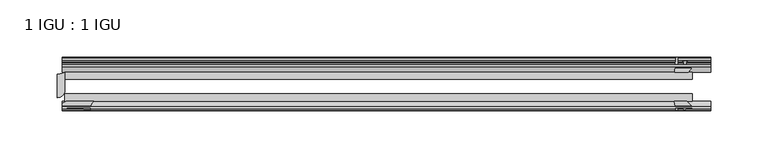
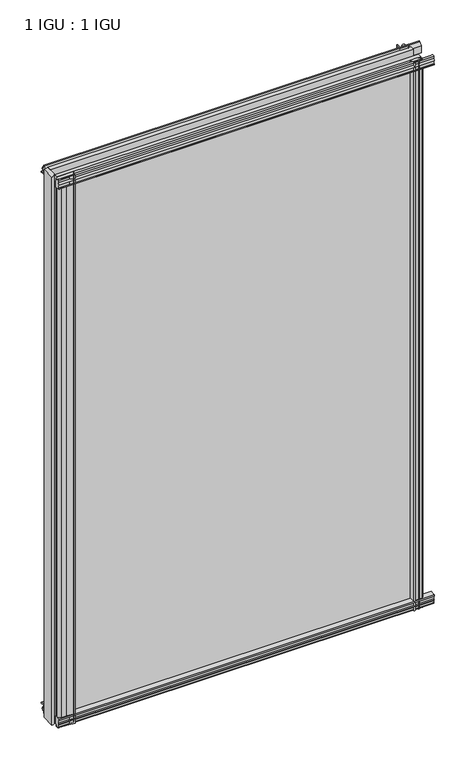
"""IFC4 building model written with IfcOpenShell, lengths in millimetres: plate geometry, 1 IGU : 1 IGU."""

import ifcopenshell
import ifcopenshell.guid

model = None  # the IFC model being written
_history = None  # IfcOwnerHistory: only IFC2X3 demands one
_inside = {}  # id of a spatial element -> (the spatial element, [elements in it])
_under = {}  # id of a project, library or spatial element -> (it, [spatial elements below it])
_declared = {}  # id of a project -> (the project, [libraries it declares])
_typed = {}  # id of a type object -> (the type object, [elements of that type])
_made_of = {}  # id of a material, layer set ... -> (it, [elements and type objects made of it])


def new_model(schema):
    """Start an empty IFC model of exactly this schema.

    Asked for "IFC4X3", IfcOpenShell would pick the latest addendum, in which some entities
    have other attributes; the version numbers below select the first issue.
    IFC2X3 requires an IfcOwnerHistory on every rooted entity: one is made here for all.
    """
    global model, _history
    if schema == "IFC4X3":
        model = ifcopenshell.file(schema_version=(4, 3, 0, 0))
    else:
        model = ifcopenshell.file(schema=schema)
    _inside.clear()
    _under.clear()
    _declared.clear()
    _typed.clear()
    _made_of.clear()
    _history = None
    if model.schema == "IFC2X3":
        org = make("IfcOrganization", Name="unknown")
        user = make(
            "IfcPersonAndOrganization",
            ThePerson=make("IfcPerson", FamilyName="unknown"),
            TheOrganization=org,
        )
        app = make(
            "IfcApplication",
            ApplicationDeveloper=org,
            Version="unknown",
            ApplicationFullName="unknown",
            ApplicationIdentifier="unknown",
        )
        _history = make(
            "IfcOwnerHistory",
            OwningUser=user,
            OwningApplication=app,
            ChangeAction="ADDED",
            CreationDate=0,
        )
    return model


def make(cls, **values):
    """One entity of the class cls with the attributes given. An attribute that is None is left unset."""
    return model.create_entity(
        cls, **{name: value for name, value in values.items() if value is not None}
    )


def rooted(cls, **values):
    """An entity with a GlobalId (a new one), such as an element, a storey or a relation."""
    return make(cls, GlobalId=ifcopenshell.guid.new(), OwnerHistory=_history, **values)


def si_unit(unit_type, name, prefix=None):
    """IfcSIUnit, for example si_unit("LENGTHUNIT", "METRE", prefix="MILLI")."""
    return make("IfcSIUnit", UnitType=unit_type, Prefix=prefix, Name=name)


def assignment(units):
    """IfcUnitAssignment: the units of a project."""
    return None if units is None else make("IfcUnitAssignment", Units=units)


def point(xyz):
    """IfcCartesianPoint."""
    return None if xyz is None else make("IfcCartesianPoint", Coordinates=xyz)


def direction(xyz):
    """IfcDirection."""
    return None if xyz is None else make("IfcDirection", DirectionRatios=xyz)


def frame(location, z_axis=None, x_axis=None):
    """IfcAxis2Placement3D, a coordinate frame: its origin and axes. An axis left out is left unset."""
    return make(
        "IfcAxis2Placement3D",
        Location=point(location),
        Axis=direction(z_axis),
        RefDirection=direction(x_axis),
    )


def frame_2d(location, x_axis=None):
    """IfcAxis2Placement2D, a coordinate frame in the plane: its origin and x axis."""
    return make(
        "IfcAxis2Placement2D", Location=point(location), RefDirection=direction(x_axis)
    )


def origin():
    """The frame at (0, 0, 0) with its axes left unset."""
    return frame((0.0, 0.0, 0.0))


def place(relative_to, where):
    """IfcLocalPlacement: puts the frame where relative to a parent placement (None: the world)."""
    return make(
        "IfcLocalPlacement", PlacementRelTo=relative_to, RelativePlacement=where
    )


def context(
    kind, dimensions, precision=None, world=None, true_north=None, identifier=None
):
    """IfcGeometricRepresentationContext, for example the 3D "Model" context."""
    return make(
        "IfcGeometricRepresentationContext",
        ContextIdentifier=identifier,
        ContextType=kind,
        CoordinateSpaceDimension=dimensions,
        Precision=precision,
        WorldCoordinateSystem=world,
        TrueNorth=true_north,
    )


def project(units=None, contexts=None):
    """IfcProject with its units and contexts."""
    return rooted(
        "IfcProject",
        Name="project",
        RepresentationContexts=contexts,
        UnitsInContext=assignment(units),
    )


def spatial(cls, under=None, at=None, **own):
    """A site, building, storey or space (cls), placed at a placement, below another one or the project."""
    s = rooted(cls, ObjectPlacement=at, **own)
    if under is not None:
        _under.setdefault(under.id(), (under, []))[1].append(s)
    return s


def polyline(points):
    """IfcPolyline through the points."""
    return make("IfcPolyline", Points=[point(p) for p in points])


def circle_curve(where, radius):
    """IfcCircle in the frame where."""
    return make("IfcCircle", Position=where, Radius=radius)


def trimmed(basis, trim1, trim2, sense, master):
    """IfcTrimmedCurve: the piece of a basis curve between two trims."""
    return make(
        "IfcTrimmedCurve",
        BasisCurve=basis,
        Trim1=trim1,
        Trim2=trim2,
        SenseAgreement=sense,
        MasterRepresentation=master,
    )


def segment(curve, same_sense, transition):
    """IfcCompositeCurveSegment."""
    return make(
        "IfcCompositeCurveSegment",
        Transition=transition,
        SameSense=same_sense,
        ParentCurve=curve,
    )


def composite_curve(segments, self_intersect=None):
    """IfcCompositeCurve: segments joined end to end."""
    return make("IfcCompositeCurve", Segments=segments, SelfIntersect=self_intersect)


def outline(outer, holes=None, kind="AREA"):
    """IfcArbitraryClosedProfileDef: a profile drawn as a closed curve; with holes, ...WithVoids."""
    if holes is None:
        return make("IfcArbitraryClosedProfileDef", ProfileType=kind, OuterCurve=outer)
    return make(
        "IfcArbitraryProfileDefWithVoids",
        ProfileType=kind,
        OuterCurve=outer,
        InnerCurves=holes,
    )


def extrude(swept, where, along, depth):
    """IfcExtrudedAreaSolid: the profile swept, set in the frame where, extruded along a direction by depth."""
    return make(
        "IfcExtrudedAreaSolid",
        SweptArea=swept,
        Position=where,
        ExtrudedDirection=direction(along),
        Depth=depth,
    )


def shape(context_of_items, identifier, shape_type, items):
    """IfcShapeRepresentation: the items that make up one representation, for example the "Body"."""
    return make(
        "IfcShapeRepresentation",
        ContextOfItems=context_of_items,
        RepresentationIdentifier=identifier,
        RepresentationType=shape_type,
        Items=items,
    )


def source(mapping_origin, context_of_items, identifier, shape_type, items):
    """IfcRepresentationMap: a shape defined once, which mapped items show again and again."""
    return make(
        "IfcRepresentationMap",
        MappingOrigin=mapping_origin,
        MappedRepresentation=shape(context_of_items, identifier, shape_type, items),
    )


def transform(
    local_origin,
    x_axis=None,
    y_axis=None,
    z_axis=None,
    scale=None,
    scale2=None,
    scale3=None,
    uniform=True,
):
    """IfcCartesianTransformationOperator3D, or its non-uniform kind. x_axis, y_axis, z_axis: its Axis1, 2, 3."""
    if uniform:
        return make(
            "IfcCartesianTransformationOperator3D",
            Axis1=direction(x_axis),
            Axis2=direction(y_axis),
            LocalOrigin=point(local_origin),
            Scale=scale,
            Axis3=direction(z_axis),
        )
    return make(
        "IfcCartesianTransformationOperator3DnonUniform",
        Axis1=direction(x_axis),
        Axis2=direction(y_axis),
        LocalOrigin=point(local_origin),
        Scale=scale,
        Axis3=direction(z_axis),
        Scale2=scale2,
        Scale3=scale3,
    )


def mapped(mapping_source, mapping_target):
    """IfcMappedItem: shows the shape of a source again, moved by a transform."""
    return make(
        "IfcMappedItem", MappingSource=mapping_source, MappingTarget=mapping_target
    )


def made_of(thing, what):
    """Note that an element or type object is made of a material, layer set ...; save() writes the relation."""
    if what is not None:
        _made_of.setdefault(what.id(), (what, []))[1].append(thing)
    return thing


def element(
    cls,
    number,
    at=None,
    inside=None,
    cuts=None,
    type_object=None,
    material=None,
    context=None,
    identifier="Body",
    shape_type=None,
    held_by="IfcProductDefinitionShape",
    body=None,
    shapes=None,
    **own,
):
    """One element of the class cls, such as IfcWall. Its Tag is "e" and its number.

    at: its placement. inside: the storey or other place that contains it. cuts: it is an
    opening in that element (IfcRelVoidsElement). A single representation is given by context,
    identifier, shape_type and body (its items); several are given by shapes. held_by: the class
    of the entity that holds the representations. save() writes the other relations.
    """
    e = rooted(cls, Tag="e%d" % number, ObjectPlacement=at, **own)
    if body is not None:
        shapes = [shape(context, identifier, shape_type, body)]
    if shapes is not None:
        e.Representation = make(held_by, Representations=shapes)
    if inside is not None:
        _inside.setdefault(inside.id(), (inside, []))[1].append(e)
    if cuts is not None:
        rooted(
            "IfcRelVoidsElement", RelatingBuildingElement=cuts, RelatedOpeningElement=e
        )
    if type_object is not None:
        _typed.setdefault(type_object.id(), (type_object, []))[1].append(e)
    return made_of(e, material)


def aggregate(whole, parts):
    """IfcRelAggregates: a whole, such as a stair, and the parts it consists of."""
    return rooted("IfcRelAggregates", RelatingObject=whole, RelatedObjects=parts)


def save(model, path):
    """Write the relations noted so far, then the file.

    IfcRelAggregates (storeys below a building ...), IfcRelContainedInSpatialStructure (elements
    in a storey), IfcRelDefinesByType, IfcRelAssociatesMaterial and IfcRelDeclares: one each for
    every whole, place, type object, material and project.
    """
    for whole, parts in _under.values():
        aggregate(whole, parts)
    for where, things in _inside.values():
        rooted(
            "IfcRelContainedInSpatialStructure",
            RelatedElements=things,
            RelatingStructure=where,
        )
    for kind, things in _typed.values():
        rooted("IfcRelDefinesByType", RelatedObjects=things, RelatingType=kind)
    for what, things in _made_of.values():
        rooted("IfcRelAssociatesMaterial", RelatedObjects=things, RelatingMaterial=what)
    for by, libraries in _declared.values():
        rooted("IfcRelDeclares", RelatingContext=by, RelatedDefinitions=libraries)
    model.write(path)


def plate_1_igu_1_igu_b05162db(model_context):
    return source(origin(), model_context, "Body", "SweptSolid", [
        extrude(outline(composite_curve([segment(polyline([(-57.0900403, 1.731044), (-50.00625, 3.0983599), (-50.00625, -7.92383), (-54.1882244, -12.1058044)]), True, "CONTINUOUS"), segment(trimmed(circle_curve(frame_2d((-55.08625, -11.2077788)), 1.27), [point((-54.1882244, -12.1058044))], [point((-56.35625, -11.2077788))], False, "CARTESIAN"), True, "CONTINUOUS"), segment(polyline([(-56.35625, -11.2077788), (-56.35625, -8.0327788), (-57.835546, -5.4488186), (-56.35625, -5.1879788), (-56.35625, 0.2222212), (-57.65913, 0.0383748)]), True, "CONTINUOUS"), segment(trimmed(circle_curve(frame_2d((-56.9150839, 0.7302212)), 1.016), [point((-57.65913, 0.0383748))], [point((-57.0900403, 1.731044))], False, "CARTESIAN"), True, "CONTINUOUS")], self_intersect=False)), frame((-280.1239, 0.0, 0.0), z_axis=(1.0, 0.0, 0.0), x_axis=(0.0, 1.0, 0.0)), (0.0, 0.0, 1.0), 564.2864),
        extrude(outline(composite_curve([segment(polyline([(-24.60625, 2.5763839), (-12.8423053, 1.6478499)]), True, "CONTINUOUS"), segment(trimmed(circle_curve(frame_2d((-12.92225, 0.635)), 1.016), [point((-12.8423053, 1.6478499))], [point((-12.1291353, 0.0))], False, "CARTESIAN"), True, "CONTINUOUS"), segment(polyline([(-12.1291353, 0.0), (-18.25625, 0.0), (-18.25625, -4.953), (-15.9568457, -5.5691235), (-16.3325195, -4.1670901), (-15.4738114, -3.937), (-14.82725, -6.35), (-15.4738114, -8.763), (-16.3325195, -8.5329099), (-15.9568457, -7.1308765), (-18.25625, -7.747), (-18.25625, -12.7), (-20.28825, -12.7), (-24.60625, -9.1036931), (-24.60625, 2.5763839)]), True, "CONTINUOUS")], self_intersect=False)), frame((-280.1239, 0.0, 0.0), z_axis=(1.0, 0.0, 0.0), x_axis=(0.0, 1.0, 0.0)), (0.0, 0.0, 1.0), 564.2864),
        extrude(outline(composite_curve([segment(polyline([(-20.28825, 857.1484), (-18.25625, 857.1484), (-18.25625, 852.1954), (-15.9568457, 851.5792765), (-16.3325195, 852.9813099), (-15.4738114, 853.2114), (-14.82725, 850.7984), (-15.4738114, 848.3854), (-16.3325195, 848.6154901), (-15.9568457, 850.0175235), (-18.25625, 849.4014), (-18.25625, 844.4484), (-12.1291353, 844.4484)]), True, "CONTINUOUS"), segment(trimmed(circle_curve(frame_2d((-12.92225, 843.8134)), 1.016), [point((-12.1291353, 844.4484))], [point((-12.8423053, 842.8005501))], False, "CARTESIAN"), True, "CONTINUOUS"), segment(polyline([(-12.8423053, 842.8005501), (-24.60625, 841.8720161), (-24.60625, 853.5520931), (-20.28825, 857.1484)]), True, "CONTINUOUS")], self_intersect=False)), frame((-280.1239, 0.0, 0.0), z_axis=(1.0, 0.0, 0.0), x_axis=(0.0, 1.0, 0.0)), (0.0, 0.0, 1.0), 564.2864),
        extrude(outline(composite_curve([segment(trimmed(circle_curve(frame_2d((-56.9150839, 843.7181788)), 1.016), [point((-57.0900403, 842.717356))], [point((-57.65913, 844.4100252))], False, "CARTESIAN"), True, "CONTINUOUS"), segment(polyline([(-57.65913, 844.4100252), (-56.35625, 844.2261788), (-56.35625, 849.6363788), (-57.835546, 849.8972186), (-56.35625, 852.4811788), (-56.35625, 855.6561788)]), True, "CONTINUOUS"), segment(trimmed(circle_curve(frame_2d((-55.08625, 855.6561788)), 1.27), [point((-56.35625, 855.6561788))], [point((-54.1882244, 856.5542044))], False, "CARTESIAN"), True, "CONTINUOUS"), segment(polyline([(-54.1882244, 856.5542044), (-50.00625, 852.37223), (-50.00625, 841.3500401), (-57.0900403, 842.717356)]), True, "CONTINUOUS")], self_intersect=False)), frame((-280.1239, 0.0, 0.0), z_axis=(1.0, 0.0, 0.0), x_axis=(0.0, 1.0, 0.0)), (0.0, 0.0, 1.0), 564.2864),
        extrude(outline(composite_curve([segment(polyline([(253.0111161, -24.60625), (253.9396501, -12.8423053)]), True, "CONTINUOUS"), segment(trimmed(circle_curve(frame_2d((254.9525, -12.92225)), 1.016), [point((253.9396501, -12.8423053))], [point((255.5875, -12.1291353))], False, "CARTESIAN"), True, "CONTINUOUS"), segment(polyline([(255.5875, -12.1291353), (255.5875, -18.25625), (260.5405, -18.25625), (261.1566235, -15.9568457), (259.7545901, -16.3325195), (259.5245, -15.4738114), (261.9375, -14.82725), (264.3505, -15.4738114), (264.1204099, -16.3325195), (262.7183765, -15.9568457), (263.3345, -18.25625), (268.2875, -18.25625), (268.2875, -20.28825), (264.6911931, -24.60625), (253.0111161, -24.60625)]), True, "CONTINUOUS")], self_intersect=False)), frame((0.0, 0.0, -12.7), z_axis=(0.0, 0.0, 1.0), x_axis=(1.0, 0.0, 0.0)), (0.0, 0.0, 1.0), 869.8484),
        extrude(outline(composite_curve([segment(polyline([(260.7754788, -56.35625), (255.3652788, -56.35625), (255.5491252, -57.65913)]), True, "CONTINUOUS"), segment(trimmed(circle_curve(frame_2d((254.8572788, -56.9150839)), 1.016), [point((255.5491252, -57.65913))], [point((253.856456, -57.0900403))], False, "CARTESIAN"), True, "CONTINUOUS"), segment(polyline([(253.856456, -57.0900403), (252.4891401, -50.00625), (263.51133, -50.00625), (267.6933044, -54.1882244)]), True, "CONTINUOUS"), segment(trimmed(circle_curve(frame_2d((266.7952788, -55.08625)), 1.27), [point((267.6933044, -54.1882244))], [point((266.7952788, -56.35625))], False, "CARTESIAN"), True, "CONTINUOUS"), segment(polyline([(266.7952788, -56.35625), (263.6202788, -56.35625), (261.0363186, -57.835546), (260.7754788, -56.35625)]), True, "CONTINUOUS")], self_intersect=False)), frame((0.0, 0.0, -12.7), z_axis=(0.0, 0.0, 1.0), x_axis=(1.0, 0.0, 0.0)), (0.0, 0.0, 1.0), 869.8484),
        extrude(outline(composite_curve([segment(trimmed(circle_curve(frame_2d((-245.6399732, -57.0773768)), 9.9591112), [point((-252.6530368, -50.00625))], [point((-255.5875, -57.5575914))], True, "CARTESIAN"), True, "CONTINUOUS"), segment(polyline([(-255.5875, -57.5575914), (-267.0175, -56.35625), (-274.9011192, -56.35625), (-280.1239, -54.14645), (-280.1239, -51.60645), (-276.3418863, -50.00625), (-252.6530368, -50.00625)]), True, "CONTINUOUS")], self_intersect=False)), frame((0.0, 0.0, -12.7), z_axis=(0.0, 0.0, 1.0), x_axis=(1.0, 0.0, 0.0)), (0.0, 0.0, 1.0), 869.8484),
        extrude(outline(composite_curve([segment(trimmed(circle_curve(frame_2d((-284.1625, -14.2606186)), 12.1389698), [point((-284.1625, -26.3995885))], [point((-277.8125, -24.60625))], True, "CARTESIAN"), True, "CONTINUOUS"), segment(polyline([(-277.8125, -24.60625), (-277.8125, -40.48125)]), True, "CONTINUOUS"), segment(trimmed(circle_curve(frame_2d((-284.1625, -40.48125)), 6.35), [point((-277.8125, -40.48125))], [point((-284.1625, -46.83125))], False, "CARTESIAN"), True, "CONTINUOUS"), segment(polyline([(-284.1625, -46.83125), (-284.1625, -26.3995885)]), True, "CONTINUOUS")], self_intersect=False)), frame((0.0, 0.0, -12.7), z_axis=(0.0, 0.0, 1.0), x_axis=(1.0, 0.0, 0.0)), (0.0, 0.0, 1.0), 869.8484),
        extrude(outline(polyline([(-277.8125, -24.60625), (268.2875, -24.60625), (268.2875, -30.95625), (-277.8125, -30.95625), (-277.8125, -24.60625)])), frame((0.0, 0.0, -12.7), z_axis=(0.0, 0.0, 1.0), x_axis=(1.0, 0.0, 0.0)), (0.0, 0.0, 1.0), 869.8484),
        extrude(outline(polyline([(268.2875, -43.65625), (268.2875, -50.00625), (-277.8125, -50.00625), (-277.8125, -43.65625), (268.2875, -43.65625)])), frame((0.0, 0.0, -12.7), z_axis=(0.0, 0.0, 1.0), x_axis=(1.0, 0.0, 0.0)), (0.0, 0.0, 1.0), 869.8484),
    ])


if __name__ == "__main__":
    model = new_model("IFC4")
    model_context = context("Model", 3, world=origin())
    ifc_project = project(units=[si_unit("LENGTHUNIT", "METRE", prefix="MILLI")], contexts=[model_context])
    site = spatial("IfcSite", under=ifc_project)
    building = spatial("IfcBuilding", under=site)
    placement = place(None, origin())
    plate_1_igu_1_igu_shape = plate_1_igu_1_igu_b05162db(model_context)
    element("IfcPlate", 1, ObjectType="1 IGU : 1 IGU", at=placement, inside=building, context=model_context, shape_type="MappedRepresentation", body=[
        mapped(plate_1_igu_1_igu_shape, transform((0.0, 0.0, 0.0), x_axis=(1.0, 0.0, 0.0), y_axis=(0.0, 1.0, 0.0), z_axis=(0.0, 0.0, 1.0))),
    ])
    save(model, "model.ifc")
